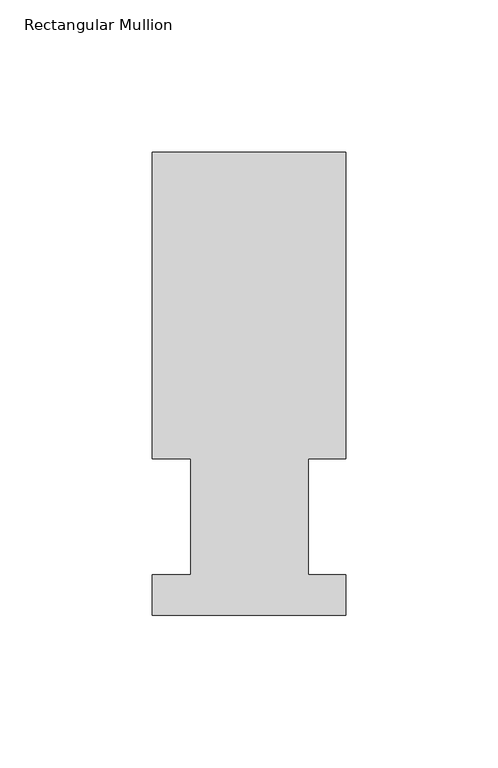
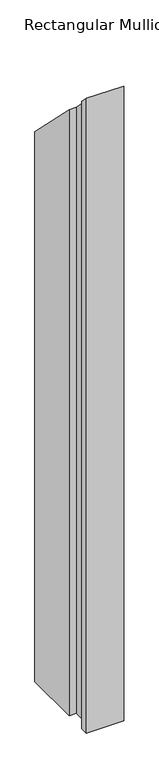
"""IFC4 building model written with IfcOpenShell, lengths in millimetres: member geometry, Rectangular Mullion."""

from ifc_helpers import new_model, si_unit, origin, place, context, project, spatial, faceted_brep, source, transform, mapped, element, save


def rectangular_mullion_3bb5a6d4(model_context):
    return source(origin(), model_context, "Body", "Brep", [
        faceted_brep([(0.0, 151.9816937, -1143.0134937), (0.0, 51.2960938, -1143.0134937), (-12.3418395, 51.2960937, -1143.0134937), (-12.3418395, 13.1960937, -1143.0134937), (0.0, 13.1960937, -1143.0134937), (0.0, 0.0134937, -1143.0134937), (-63.5, 0.0134937, -1143.0134937), (-63.5, 13.1960937, -1143.0134937), (-50.8, 13.1960937, -1143.0134937), (-50.8, 51.2960938, -1143.0134937), (-63.5, 51.2960938, -1143.0134937), (-63.5, 151.9816937, -1143.0134937), (-63.5, 151.9816937, -151.9816937), (0.0, 151.9816937, -151.9816937), (-63.5, 51.2960938, -51.2960938), (-50.8, 51.2960938, -51.2960938), (-50.8, 13.1960937, -13.1960937), (-63.5, 13.1960937, -13.1960937), (-63.5, 0.0134937, -0.0134937), (0.0, 0.0134937, -0.0134937), (0.0, 13.1960937, -13.1960937), (-12.3418395, 13.1960937, -13.1960937), (-12.3418395, 51.2960937, -51.2960937), (0.0, 51.2960937, -51.2960938)], [[[0, 1, 2, 3, 4, 5, 6, 7, 8, 9, 10, 11]], [[12, 13, 0, 11]], [[14, 12, 11, 10]], [[15, 14, 10, 9]], [[16, 15, 9, 8]], [[17, 16, 8, 7]], [[18, 17, 7, 6]], [[19, 18, 6, 5]], [[20, 19, 5, 4]], [[21, 20, 4, 3]], [[22, 21, 3, 2]], [[23, 22, 2, 1]], [[13, 23, 1, 0]], [[13, 12, 14, 15, 16, 17, 18, 19, 20, 21, 22, 23]]]),
    ])


if __name__ == "__main__":
    model = new_model("IFC4")
    model_context = context("Model", 3, world=origin())
    ifc_project = project(units=[si_unit("LENGTHUNIT", "METRE", prefix="MILLI")], contexts=[model_context])
    site = spatial("IfcSite", under=ifc_project)
    building = spatial("IfcBuilding", under=site)
    placement = place(None, origin())
    rectangular_mullion_shape = rectangular_mullion_3bb5a6d4(model_context)
    element("IfcMember", 1, ObjectType="Rectangular Mullion", at=placement, inside=building, context=model_context, shape_type="MappedRepresentation", body=[
        mapped(rectangular_mullion_shape, transform((0.0, 0.0, 0.0), x_axis=(1.0, 0.0, 0.0), y_axis=(0.0, 1.0, 0.0), z_axis=(0.0, 0.0, 1.0))),
    ])
    save(model, "model.ifc")
